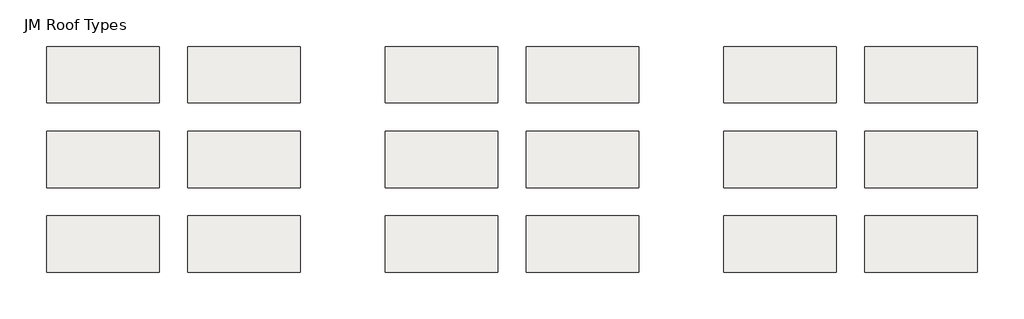
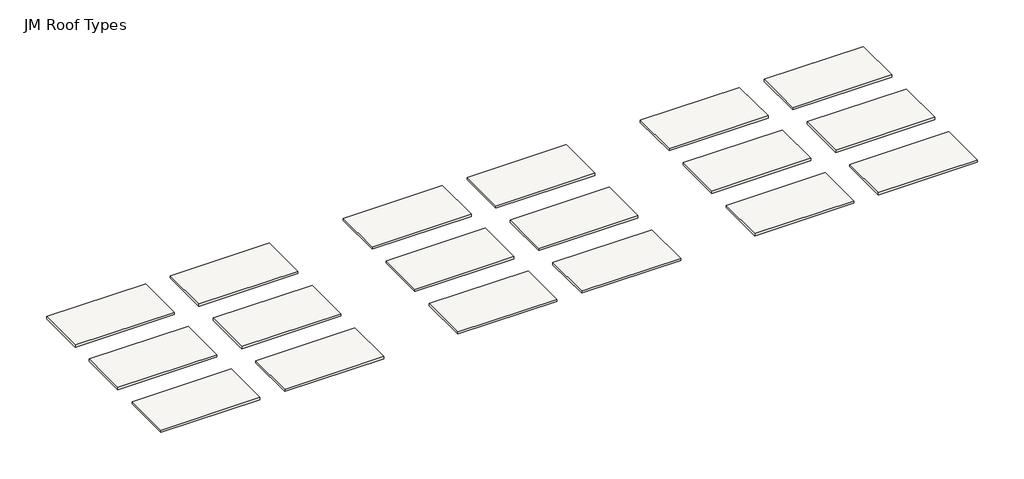
# One storey: 18 roofs.
"""IFC4 building model written with IfcOpenShell, lengths in millimetres."""

import ifcopenshell
import ifcopenshell.guid

model = None  # the IFC model being written
_history = None  # IfcOwnerHistory: only IFC2X3 demands one
_inside = {}  # id of a spatial element -> (the spatial element, [elements in it])
_under = {}  # id of a project, library or spatial element -> (it, [spatial elements below it])
_declared = {}  # id of a project -> (the project, [libraries it declares])
_typed = {}  # id of a type object -> (the type object, [elements of that type])
_made_of = {}  # id of a material, layer set ... -> (it, [elements and type objects made of it])


def new_model(schema):
    """Start an empty IFC model of exactly this schema.

    Asked for "IFC4X3", IfcOpenShell would pick the latest addendum, in which some entities
    have other attributes; the version numbers below select the first issue.
    IFC2X3 requires an IfcOwnerHistory on every rooted entity: one is made here for all.
    """
    global model, _history
    if schema == "IFC4X3":
        model = ifcopenshell.file(schema_version=(4, 3, 0, 0))
    else:
        model = ifcopenshell.file(schema=schema)
    _inside.clear()
    _under.clear()
    _declared.clear()
    _typed.clear()
    _made_of.clear()
    _history = None
    if model.schema == "IFC2X3":
        org = make("IfcOrganization", Name="unknown")
        user = make(
            "IfcPersonAndOrganization",
            ThePerson=make("IfcPerson", FamilyName="unknown"),
            TheOrganization=org,
        )
        app = make(
            "IfcApplication",
            ApplicationDeveloper=org,
            Version="unknown",
            ApplicationFullName="unknown",
            ApplicationIdentifier="unknown",
        )
        _history = make(
            "IfcOwnerHistory",
            OwningUser=user,
            OwningApplication=app,
            ChangeAction="ADDED",
            CreationDate=0,
        )
    return model


def make(cls, **values):
    """One entity of the class cls with the attributes given. An attribute that is None is left unset."""
    return model.create_entity(
        cls, **{name: value for name, value in values.items() if value is not None}
    )


def rooted(cls, **values):
    """An entity with a GlobalId (a new one), such as an element, a storey or a relation."""
    return make(cls, GlobalId=ifcopenshell.guid.new(), OwnerHistory=_history, **values)


def si_unit(unit_type, name, prefix=None):
    """IfcSIUnit, for example si_unit("LENGTHUNIT", "METRE", prefix="MILLI")."""
    return make("IfcSIUnit", UnitType=unit_type, Prefix=prefix, Name=name)


def assignment(units):
    """IfcUnitAssignment: the units of a project."""
    return None if units is None else make("IfcUnitAssignment", Units=units)


def point(xyz):
    """IfcCartesianPoint."""
    return None if xyz is None else make("IfcCartesianPoint", Coordinates=xyz)


def direction(xyz):
    """IfcDirection."""
    return None if xyz is None else make("IfcDirection", DirectionRatios=xyz)


def frame(location, z_axis=None, x_axis=None):
    """IfcAxis2Placement3D, a coordinate frame: its origin and axes. An axis left out is left unset."""
    return make(
        "IfcAxis2Placement3D",
        Location=point(location),
        Axis=direction(z_axis),
        RefDirection=direction(x_axis),
    )


def origin():
    """The frame at (0, 0, 0) with its axes left unset."""
    return frame((0.0, 0.0, 0.0))


def origin_with_axes():
    """The frame at (0, 0, 0) with the z axis (0, 0, 1) and the x axis (1, 0, 0) written out."""
    return frame((0.0, 0.0, 0.0), z_axis=(0.0, 0.0, 1.0), x_axis=(1.0, 0.0, 0.0))


def place(relative_to, where):
    """IfcLocalPlacement: puts the frame where relative to a parent placement (None: the world)."""
    return make(
        "IfcLocalPlacement", PlacementRelTo=relative_to, RelativePlacement=where
    )


def context(
    kind, dimensions, precision=None, world=None, true_north=None, identifier=None
):
    """IfcGeometricRepresentationContext, for example the 3D "Model" context."""
    return make(
        "IfcGeometricRepresentationContext",
        ContextIdentifier=identifier,
        ContextType=kind,
        CoordinateSpaceDimension=dimensions,
        Precision=precision,
        WorldCoordinateSystem=world,
        TrueNorth=true_north,
    )


def project(units=None, contexts=None):
    """IfcProject with its units and contexts."""
    return rooted(
        "IfcProject",
        Name="project",
        RepresentationContexts=contexts,
        UnitsInContext=assignment(units),
    )


def spatial(cls, under=None, at=None, **own):
    """A site, building, storey or space (cls), placed at a placement, below another one or the project."""
    s = rooted(cls, ObjectPlacement=at, **own)
    if under is not None:
        _under.setdefault(under.id(), (under, []))[1].append(s)
    return s


def polyline(points):
    """IfcPolyline through the points."""
    return make("IfcPolyline", Points=[point(p) for p in points])


def outline(outer, holes=None, kind="AREA"):
    """IfcArbitraryClosedProfileDef: a profile drawn as a closed curve; with holes, ...WithVoids."""
    if holes is None:
        return make("IfcArbitraryClosedProfileDef", ProfileType=kind, OuterCurve=outer)
    return make(
        "IfcArbitraryProfileDefWithVoids",
        ProfileType=kind,
        OuterCurve=outer,
        InnerCurves=holes,
    )


def extrude(swept, where, along, depth):
    """IfcExtrudedAreaSolid: the profile swept, set in the frame where, extruded along a direction by depth."""
    return make(
        "IfcExtrudedAreaSolid",
        SweptArea=swept,
        Position=where,
        ExtrudedDirection=direction(along),
        Depth=depth,
    )


def shape(context_of_items, identifier, shape_type, items):
    """IfcShapeRepresentation: the items that make up one representation, for example the "Body"."""
    return make(
        "IfcShapeRepresentation",
        ContextOfItems=context_of_items,
        RepresentationIdentifier=identifier,
        RepresentationType=shape_type,
        Items=items,
    )


def made_of(thing, what):
    """Note that an element or type object is made of a material, layer set ...; save() writes the relation."""
    if what is not None:
        _made_of.setdefault(what.id(), (what, []))[1].append(thing)
    return thing


def element(
    cls,
    number,
    at=None,
    inside=None,
    cuts=None,
    type_object=None,
    material=None,
    context=None,
    identifier="Body",
    shape_type=None,
    held_by="IfcProductDefinitionShape",
    body=None,
    shapes=None,
    **own,
):
    """One element of the class cls, such as IfcWall. Its Tag is "e" and its number.

    at: its placement. inside: the storey or other place that contains it. cuts: it is an
    opening in that element (IfcRelVoidsElement). A single representation is given by context,
    identifier, shape_type and body (its items); several are given by shapes. held_by: the class
    of the entity that holds the representations. save() writes the other relations.
    """
    e = rooted(cls, Tag="e%d" % number, ObjectPlacement=at, **own)
    if body is not None:
        shapes = [shape(context, identifier, shape_type, body)]
    if shapes is not None:
        e.Representation = make(held_by, Representations=shapes)
    if inside is not None:
        _inside.setdefault(inside.id(), (inside, []))[1].append(e)
    if cuts is not None:
        rooted(
            "IfcRelVoidsElement", RelatingBuildingElement=cuts, RelatedOpeningElement=e
        )
    if type_object is not None:
        _typed.setdefault(type_object.id(), (type_object, []))[1].append(e)
    return made_of(e, material)


def aggregate(whole, parts):
    """IfcRelAggregates: a whole, such as a stair, and the parts it consists of."""
    return rooted("IfcRelAggregates", RelatingObject=whole, RelatedObjects=parts)


def save(model, path):
    """Write the relations noted so far, then the file.

    IfcRelAggregates (storeys below a building ...), IfcRelContainedInSpatialStructure (elements
    in a storey), IfcRelDefinesByType, IfcRelAssociatesMaterial and IfcRelDeclares: one each for
    every whole, place, type object, material and project.
    """
    for whole, parts in _under.values():
        aggregate(whole, parts)
    for where, things in _inside.values():
        rooted(
            "IfcRelContainedInSpatialStructure",
            RelatedElements=things,
            RelatingStructure=where,
        )
    for kind, things in _typed.values():
        rooted("IfcRelDefinesByType", RelatedObjects=things, RelatingType=kind)
    for what, things in _made_of.values():
        rooted("IfcRelAssociatesMaterial", RelatedObjects=things, RelatingMaterial=what)
    for by, libraries in _declared.values():
        rooted("IfcRelDeclares", RelatingContext=by, RelatedDefinitions=libraries)
    model.write(path)


model = new_model("IFC4")

# Units and contexts
model_context = context("Model", 3, world=origin())
ifc_project = project(units=[si_unit("LENGTHUNIT", "METRE", prefix="MILLI")], contexts=[model_context])

# Site, building, storey
site = spatial("IfcSite", under=ifc_project)
building = spatial("IfcBuilding", under=site)
storey = spatial("IfcBuildingStorey", under=building, Name="JM Roof Types", Elevation=0.0)

# Roofs
placement = place(None, origin())
element("IfcRoof", 1, at=placement, inside=storey, context=model_context, shape_type="SweptSolid", body=[
    extrude(outline(polyline([(-17649.3144109, 10486.1623672), (-11553.3144109, 10486.1623672), (-11553.3144109, 7438.1623672), (-17649.3144109, 7438.1623672), (-17649.3144109, 10486.1623672)])), origin_with_axes(), (0.0, 0.0, 1.0), 147.6375),
])
element("IfcRoof", 2, at=placement, inside=storey, context=model_context, shape_type="SweptSolid", body=[
    extrude(outline(polyline([(-17649.3144109, 5914.1623672), (-11553.3144109, 5914.1623672), (-11553.3144109, 2866.1623672), (-17649.3144109, 2866.1623672), (-17649.3144109, 5914.1623672)])), origin_with_axes(), (0.0, 0.0, 1.0), 153.9875),
])
element("IfcRoof", 3, at=placement, inside=storey, context=model_context, shape_type="SweptSolid", body=[
    extrude(outline(polyline([(-10029.3144109, 10486.1623672), (-3933.3144109, 10486.1623672), (-3933.3144109, 7438.1623672), (-10029.3144109, 7438.1623672), (-10029.3144109, 10486.1623672)])), origin_with_axes(), (0.0, 0.0, 1.0), 147.6375),
])
element("IfcRoof", 4, at=placement, inside=storey, context=model_context, shape_type="SweptSolid", body=[
    extrude(outline(polyline([(-10029.3144109, 5914.1623672), (-3933.3144109, 5914.1623672), (-3933.3144109, 2866.1623672), (-10029.3144109, 2866.1623672), (-10029.3144109, 5914.1623672)])), origin_with_axes(), (0.0, 0.0, 1.0), 153.9875),
])
element("IfcRoof", 5, at=placement, inside=storey, context=model_context, shape_type="SweptSolid", body=[
    extrude(outline(polyline([(-17649.3144109, 1342.1623672), (-11553.3144109, 1342.1623672), (-11553.3144109, -1705.8376328), (-17649.3144109, -1705.8376328), (-17649.3144109, 1342.1623672)])), origin_with_axes(), (0.0, 0.0, 1.0), 141.2875),
])
element("IfcRoof", 6, at=placement, inside=storey, context=model_context, shape_type="SweptSolid", body=[
    extrude(outline(polyline([(-10029.3144109, 1342.1623672), (-3933.3144109, 1342.1623672), (-3933.3144109, -1705.8376328), (-10029.3144109, -1705.8376328), (-10029.3144109, 1342.1623672)])), origin_with_axes(), (0.0, 0.0, 1.0), 141.2875),
])
element("IfcRoof", 7, at=placement, inside=storey, context=model_context, shape_type="SweptSolid", body=[
    extrude(outline(polyline([(638.6855891, 10486.1623672), (6734.6855891, 10486.1623672), (6734.6855891, 7438.1623672), (638.6855891, 7438.1623672), (638.6855891, 10486.1623672)])), origin_with_axes(), (0.0, 0.0, 1.0), 148.034375),
])
element("IfcRoof", 8, at=placement, inside=storey, context=model_context, shape_type="SweptSolid", body=[
    extrude(outline(polyline([(638.6855891, 5914.1623672), (6734.6855891, 5914.1623672), (6734.6855891, 2866.1623672), (638.6855891, 2866.1623672), (638.6855891, 5914.1623672)])), origin_with_axes(), (0.0, 0.0, 1.0), 154.384375),
])
element("IfcRoof", 9, at=placement, inside=storey, context=model_context, shape_type="SweptSolid", body=[
    extrude(outline(polyline([(8258.6855891, 10486.1623672), (14354.6855891, 10486.1623672), (14354.6855891, 7438.1623672), (8258.6855891, 7438.1623672), (8258.6855891, 10486.1623672)])), origin_with_axes(), (0.0, 0.0, 1.0), 148.034375),
])
element("IfcRoof", 10, at=placement, inside=storey, context=model_context, shape_type="SweptSolid", body=[
    extrude(outline(polyline([(8258.6855891, 5914.1623672), (14354.6855891, 5914.1623672), (14354.6855891, 2866.1623672), (8258.6855891, 2866.1623672), (8258.6855891, 5914.1623672)])), origin_with_axes(), (0.0, 0.0, 1.0), 154.384375),
])
element("IfcRoof", 11, at=placement, inside=storey, context=model_context, shape_type="SweptSolid", body=[
    extrude(outline(polyline([(638.6855891, 1342.1623672), (6734.6855891, 1342.1623672), (6734.6855891, -1705.8376328), (638.6855891, -1705.8376328), (638.6855891, 1342.1623672)])), origin_with_axes(), (0.0, 0.0, 1.0), 141.684375),
])
element("IfcRoof", 12, at=placement, inside=storey, context=model_context, shape_type="SweptSolid", body=[
    extrude(outline(polyline([(8258.6855891, 1342.1623672), (14354.6855891, 1342.1623672), (14354.6855891, -1705.8376328), (8258.6855891, -1705.8376328), (8258.6855891, 1342.1623672)])), origin_with_axes(), (0.0, 0.0, 1.0), 141.684375),
])
element("IfcRoof", 13, at=placement, inside=storey, context=model_context, shape_type="SweptSolid", body=[
    extrude(outline(polyline([(-35937.3144109, 10486.1623672), (-29841.3144109, 10486.1623672), (-29841.3144109, 7438.1623672), (-35937.3144109, 7438.1623672), (-35937.3144109, 10486.1623672)])), origin_with_axes(), (0.0, 0.0, 1.0), 147.6375),
])
element("IfcRoof", 14, at=placement, inside=storey, context=model_context, shape_type="SweptSolid", body=[
    extrude(outline(polyline([(-35937.3144109, 5914.1623672), (-29841.3144109, 5914.1623672), (-29841.3144109, 2866.1623672), (-35937.3144109, 2866.1623672), (-35937.3144109, 5914.1623672)])), origin_with_axes(), (0.0, 0.0, 1.0), 153.9875),
])
element("IfcRoof", 15, at=placement, inside=storey, context=model_context, shape_type="SweptSolid", body=[
    extrude(outline(polyline([(-28317.3144109, 10486.1623672), (-22221.3144109, 10486.1623672), (-22221.3144109, 7438.1623672), (-28317.3144109, 7438.1623672), (-28317.3144109, 10486.1623672)])), origin_with_axes(), (0.0, 0.0, 1.0), 147.6375),
])
element("IfcRoof", 16, at=placement, inside=storey, context=model_context, shape_type="SweptSolid", body=[
    extrude(outline(polyline([(-28317.3144109, 5914.1623672), (-22221.3144109, 5914.1623672), (-22221.3144109, 2866.1623672), (-28317.3144109, 2866.1623672), (-28317.3144109, 5914.1623672)])), origin_with_axes(), (0.0, 0.0, 1.0), 153.9875),
])
element("IfcRoof", 17, at=placement, inside=storey, context=model_context, shape_type="SweptSolid", body=[
    extrude(outline(polyline([(-35937.3144109, 1342.1623672), (-29841.3144109, 1342.1623672), (-29841.3144109, -1705.8376328), (-35937.3144109, -1705.8376328), (-35937.3144109, 1342.1623672)])), origin_with_axes(), (0.0, 0.0, 1.0), 141.2875),
])
element("IfcRoof", 18, at=placement, inside=storey, context=model_context, shape_type="SweptSolid", body=[
    extrude(outline(polyline([(-28317.3144109, 1342.1623672), (-22221.3144109, 1342.1623672), (-22221.3144109, -1705.8376328), (-28317.3144109, -1705.8376328), (-28317.3144109, 1342.1623672)])), origin_with_axes(), (0.0, 0.0, 1.0), 141.2875),
])

save(model, "model.ifc")
